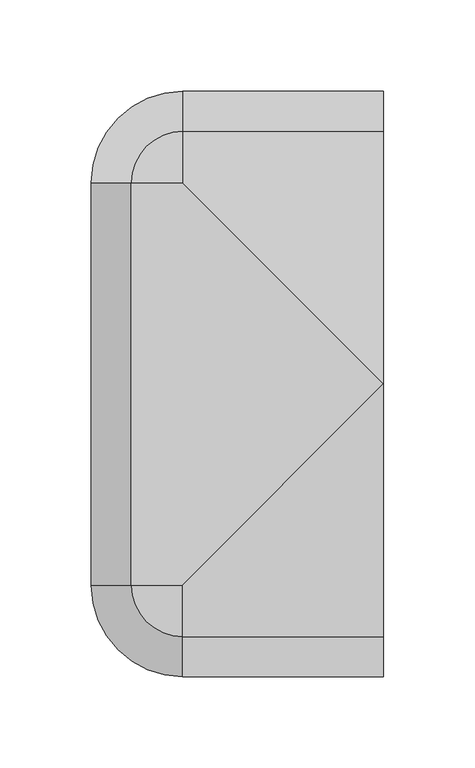
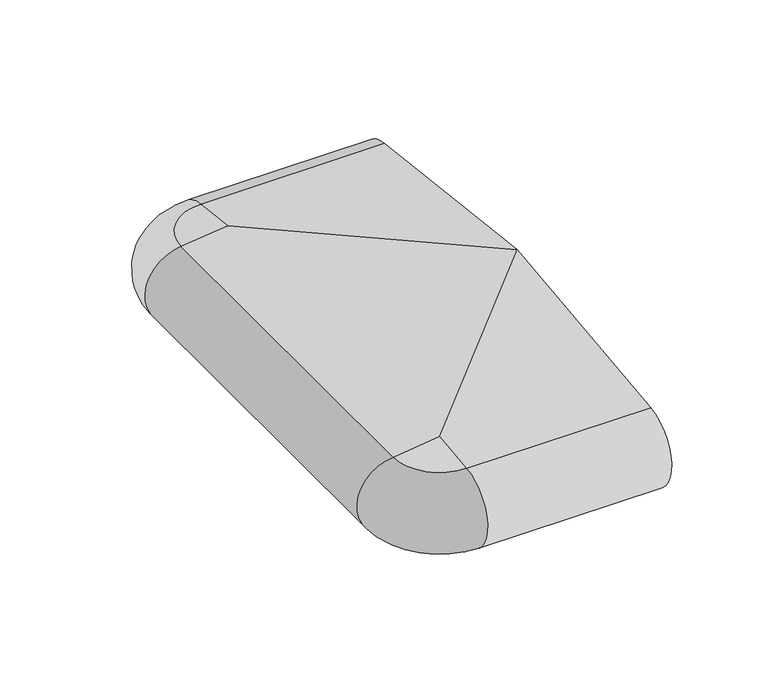
"""IFC4 building model written with IfcOpenShell, lengths in millimetres: proxy geometry."""

import ifcopenshell
import ifcopenshell.guid

model = None  # the IFC model being written
_history = None  # IfcOwnerHistory: only IFC2X3 demands one
_inside = {}  # id of a spatial element -> (the spatial element, [elements in it])
_under = {}  # id of a project, library or spatial element -> (it, [spatial elements below it])
_declared = {}  # id of a project -> (the project, [libraries it declares])
_typed = {}  # id of a type object -> (the type object, [elements of that type])
_made_of = {}  # id of a material, layer set ... -> (it, [elements and type objects made of it])


def new_model(schema):
    """Start an empty IFC model of exactly this schema.

    Asked for "IFC4X3", IfcOpenShell would pick the latest addendum, in which some entities
    have other attributes; the version numbers below select the first issue.
    IFC2X3 requires an IfcOwnerHistory on every rooted entity: one is made here for all.
    """
    global model, _history
    if schema == "IFC4X3":
        model = ifcopenshell.file(schema_version=(4, 3, 0, 0))
    else:
        model = ifcopenshell.file(schema=schema)
    _inside.clear()
    _under.clear()
    _declared.clear()
    _typed.clear()
    _made_of.clear()
    _history = None
    if model.schema == "IFC2X3":
        org = make("IfcOrganization", Name="unknown")
        user = make(
            "IfcPersonAndOrganization",
            ThePerson=make("IfcPerson", FamilyName="unknown"),
            TheOrganization=org,
        )
        app = make(
            "IfcApplication",
            ApplicationDeveloper=org,
            Version="unknown",
            ApplicationFullName="unknown",
            ApplicationIdentifier="unknown",
        )
        _history = make(
            "IfcOwnerHistory",
            OwningUser=user,
            OwningApplication=app,
            ChangeAction="ADDED",
            CreationDate=0,
        )
    return model


def make(cls, **values):
    """One entity of the class cls with the attributes given. An attribute that is None is left unset."""
    return model.create_entity(
        cls, **{name: value for name, value in values.items() if value is not None}
    )


def rooted(cls, **values):
    """An entity with a GlobalId (a new one), such as an element, a storey or a relation."""
    return make(cls, GlobalId=ifcopenshell.guid.new(), OwnerHistory=_history, **values)


def si_unit(unit_type, name, prefix=None):
    """IfcSIUnit, for example si_unit("LENGTHUNIT", "METRE", prefix="MILLI")."""
    return make("IfcSIUnit", UnitType=unit_type, Prefix=prefix, Name=name)


def assignment(units):
    """IfcUnitAssignment: the units of a project."""
    return None if units is None else make("IfcUnitAssignment", Units=units)


def point(xyz):
    """IfcCartesianPoint."""
    return None if xyz is None else make("IfcCartesianPoint", Coordinates=xyz)


def direction(xyz):
    """IfcDirection."""
    return None if xyz is None else make("IfcDirection", DirectionRatios=xyz)


def frame(location, z_axis=None, x_axis=None):
    """IfcAxis2Placement3D, a coordinate frame: its origin and axes. An axis left out is left unset."""
    return make(
        "IfcAxis2Placement3D",
        Location=point(location),
        Axis=direction(z_axis),
        RefDirection=direction(x_axis),
    )


def origin():
    """The frame at (0, 0, 0) with its axes left unset."""
    return frame((0.0, 0.0, 0.0))


def place(relative_to, where):
    """IfcLocalPlacement: puts the frame where relative to a parent placement (None: the world)."""
    return make(
        "IfcLocalPlacement", PlacementRelTo=relative_to, RelativePlacement=where
    )


def context(
    kind, dimensions, precision=None, world=None, true_north=None, identifier=None
):
    """IfcGeometricRepresentationContext, for example the 3D "Model" context."""
    return make(
        "IfcGeometricRepresentationContext",
        ContextIdentifier=identifier,
        ContextType=kind,
        CoordinateSpaceDimension=dimensions,
        Precision=precision,
        WorldCoordinateSystem=world,
        TrueNorth=true_north,
    )


def project(units=None, contexts=None):
    """IfcProject with its units and contexts."""
    return rooted(
        "IfcProject",
        Name="project",
        RepresentationContexts=contexts,
        UnitsInContext=assignment(units),
    )


def spatial(cls, under=None, at=None, **own):
    """A site, building, storey or space (cls), placed at a placement, below another one or the project."""
    s = rooted(cls, ObjectPlacement=at, **own)
    if under is not None:
        _under.setdefault(under.id(), (under, []))[1].append(s)
    return s


def polyline(points):
    """IfcPolyline through the points."""
    return make("IfcPolyline", Points=[point(p) for p in points])


def circle_curve(where, radius):
    """IfcCircle in the frame where."""
    return make("IfcCircle", Position=where, Radius=radius)


def ellipse_curve(where, semi_axis1, semi_axis2):
    """IfcEllipse in the frame where."""
    return make(
        "IfcEllipse", Position=where, SemiAxis1=semi_axis1, SemiAxis2=semi_axis2
    )


def trimmed(basis, trim1, trim2, sense, master):
    """IfcTrimmedCurve: the piece of a basis curve between two trims."""
    return make(
        "IfcTrimmedCurve",
        BasisCurve=basis,
        Trim1=trim1,
        Trim2=trim2,
        SenseAgreement=sense,
        MasterRepresentation=master,
    )


def shape(context_of_items, identifier, shape_type, items):
    """IfcShapeRepresentation: the items that make up one representation, for example the "Body"."""
    return make(
        "IfcShapeRepresentation",
        ContextOfItems=context_of_items,
        RepresentationIdentifier=identifier,
        RepresentationType=shape_type,
        Items=items,
    )


def source(mapping_origin, context_of_items, identifier, shape_type, items):
    """IfcRepresentationMap: a shape defined once, which mapped items show again and again."""
    return make(
        "IfcRepresentationMap",
        MappingOrigin=mapping_origin,
        MappedRepresentation=shape(context_of_items, identifier, shape_type, items),
    )


def transform(
    local_origin,
    x_axis=None,
    y_axis=None,
    z_axis=None,
    scale=None,
    scale2=None,
    scale3=None,
    uniform=True,
):
    """IfcCartesianTransformationOperator3D, or its non-uniform kind. x_axis, y_axis, z_axis: its Axis1, 2, 3."""
    if uniform:
        return make(
            "IfcCartesianTransformationOperator3D",
            Axis1=direction(x_axis),
            Axis2=direction(y_axis),
            LocalOrigin=point(local_origin),
            Scale=scale,
            Axis3=direction(z_axis),
        )
    return make(
        "IfcCartesianTransformationOperator3DnonUniform",
        Axis1=direction(x_axis),
        Axis2=direction(y_axis),
        LocalOrigin=point(local_origin),
        Scale=scale,
        Axis3=direction(z_axis),
        Scale2=scale2,
        Scale3=scale3,
    )


def mapped(mapping_source, mapping_target):
    """IfcMappedItem: shows the shape of a source again, moved by a transform."""
    return make(
        "IfcMappedItem", MappingSource=mapping_source, MappingTarget=mapping_target
    )


def made_of(thing, what):
    """Note that an element or type object is made of a material, layer set ...; save() writes the relation."""
    if what is not None:
        _made_of.setdefault(what.id(), (what, []))[1].append(thing)
    return thing


def element(
    cls,
    number,
    at=None,
    inside=None,
    cuts=None,
    type_object=None,
    material=None,
    context=None,
    identifier="Body",
    shape_type=None,
    held_by="IfcProductDefinitionShape",
    body=None,
    shapes=None,
    **own,
):
    """One element of the class cls, such as IfcWall. Its Tag is "e" and its number.

    at: its placement. inside: the storey or other place that contains it. cuts: it is an
    opening in that element (IfcRelVoidsElement). A single representation is given by context,
    identifier, shape_type and body (its items); several are given by shapes. held_by: the class
    of the entity that holds the representations. save() writes the other relations.
    """
    e = rooted(cls, Tag="e%d" % number, ObjectPlacement=at, **own)
    if body is not None:
        shapes = [shape(context, identifier, shape_type, body)]
    if shapes is not None:
        e.Representation = make(held_by, Representations=shapes)
    if inside is not None:
        _inside.setdefault(inside.id(), (inside, []))[1].append(e)
    if cuts is not None:
        rooted(
            "IfcRelVoidsElement", RelatingBuildingElement=cuts, RelatedOpeningElement=e
        )
    if type_object is not None:
        _typed.setdefault(type_object.id(), (type_object, []))[1].append(e)
    return made_of(e, material)


def aggregate(whole, parts):
    """IfcRelAggregates: a whole, such as a stair, and the parts it consists of."""
    return rooted("IfcRelAggregates", RelatingObject=whole, RelatedObjects=parts)


def save(model, path):
    """Write the relations noted so far, then the file.

    IfcRelAggregates (storeys below a building ...), IfcRelContainedInSpatialStructure (elements
    in a storey), IfcRelDefinesByType, IfcRelAssociatesMaterial and IfcRelDeclares: one each for
    every whole, place, type object, material and project.
    """
    for whole, parts in _under.values():
        aggregate(whole, parts)
    for where, things in _inside.values():
        rooted(
            "IfcRelContainedInSpatialStructure",
            RelatedElements=things,
            RelatingStructure=where,
        )
    for kind, things in _typed.values():
        rooted("IfcRelDefinesByType", RelatedObjects=things, RelatingType=kind)
    for what, things in _made_of.values():
        rooted("IfcRelAssociatesMaterial", RelatedObjects=things, RelatingMaterial=what)
    for by, libraries in _declared.values():
        rooted("IfcRelDeclares", RelatingContext=by, RelatedDefinitions=libraries)
    model.write(path)


def plane_surface(at):
    """IfcPlane: the flat surface through the origin of the frame at, square to its z axis."""
    return make("IfcPlane", Position=at)


def cylinder_surface(at, radius):
    """IfcCylindricalSurface: all points at the distance radius from the z axis of the frame at."""
    return make("IfcCylindricalSurface", Position=at, Radius=radius)


def revolved_surface(curve, axis_point, axis_direction):
    """IfcSurfaceOfRevolution: the curve turned about the line through axis_point along axis_direction."""
    return make(
        "IfcSurfaceOfRevolution",
        SweptCurve=make("IfcArbitraryOpenProfileDef", ProfileType="CURVE", Curve=curve),
        AxisPosition=make("IfcAxis1Placement", Location=point(axis_point), Axis=direction(axis_direction)),
    )


def advanced_brep(points, edges, surfaces, faces):
    """IfcAdvancedBrep: a solid bounded by faces that lie on surfaces and meet in shared edges.

    An edge is (start, end): straight between two places in points (the first is 0);
    or (start, end, curve); or (start, end, curve, False) where it runs against its curve.
    A face is (place in surfaces, loops), or (place, loops, False) where it looks against
    its surface's normal. A loop lists edges by number (the first is 1), with a minus sign
    where the edge is run from its end to its start. The first loop is the outer one.
    """
    corners = [point(p) for p in points]
    vertices = [make("IfcVertexPoint", VertexGeometry=c) for c in corners]
    made = []
    for start, end, *more in edges:
        made.append(
            make(
                "IfcEdgeCurve",
                EdgeStart=vertices[start],
                EdgeEnd=vertices[end],
                EdgeGeometry=more[0] if more else make("IfcPolyline", Points=[corners[start], corners[end]]),
                SameSense=more[1] if len(more) > 1 else True,
            )
        )
    hull = []
    for where, loops, *sense in faces:
        bounds = []
        for j, loop in enumerate(loops):
            ring = [make("IfcOrientedEdge", EdgeElement=made[abs(k) - 1], Orientation=k > 0) for k in loop]
            bounds.append(
                make(
                    "IfcFaceOuterBound" if j == 0 else "IfcFaceBound",
                    Bound=make("IfcEdgeLoop", EdgeList=ring),
                    Orientation=True,
                )
            )
        hull.append(make("IfcAdvancedFace", Bounds=bounds, FaceSurface=surfaces[where], SameSense=sense[0] if sense else True))
    return make("IfcAdvancedBrep", Outer=make("IfcClosedShell", CfsFaces=hull))


def generic_models_1e9ed16e(model_context):
    return source(origin(), model_context, "Body", "AdvancedBrep", [
        advanced_brep(
        [(-110.0, 28.0858073, 50.4091909), (-110.0, 26.5981483, 2.5074549), (-136.5981483, 0.0, 2.5074549), (-138.0858073, 0.0, 50.4091909), (-110.0, 25.7072001, 3.0071443), (-135.7072001, 0.0, 3.0071443), (-110.0, 23.6905989, 6.5), (-133.6905989, 0.0, 6.5), (-110.0, 21.9585481, 7.5), (-131.9585481, 0.0, 7.5), (0.0, 21.9585481, 7.5), (0.0, 5.4848276, 7.5), (-110.0, 5.4848276, 7.5), (-115.4848276, 0.0, 7.5), (-115.4848276, -220.0, 7.5), (-110.0, -225.4848276, 7.5), (0.0, -225.4848276, 7.5), (0.0, -241.9585481, 7.5), (-110.0, -241.9585481, 7.5), (-131.9585481, -220.0, 7.5), (-110.0, 3.7527767, 6.5), (-113.7527767, 0.0, 6.5), (-110.0, 0.0, 0.0), (-110.0, 0.0, 53.7462575), (0.0, 25.7072001, 3.0071443), (0.0, 26.5981483, 2.5074549), (0.0, 23.6905989, 6.5), (0.0, 3.7527767, 6.5), (0.0, 0.0, 0.0), (0.0, 28.0858073, 50.4091909), (0.0, -35.5, 0.0), (0.0, -110.0, 66.8161089), (0.0, -248.0858073, 50.4091909), (0.0, -246.5981483, 2.5074549), (0.0, -245.7072001, 3.0071443), (0.0, -243.6905989, 6.5), (0.0, -223.7527767, 6.5), (0.0, -220.0, 0.0), (0.0, -184.5, 0.0), (0.0, -183.5, 1.0), (0.0, -183.5, 7.0), (0.0, -181.5, 9.0), (0.0, -158.5, 9.0), (0.0, -156.5, 7.0), (0.0, -156.5, 1.0), (0.0, -155.5, 0.0), (0.0, -64.5, 0.0), (0.0, -63.5, 1.0), (0.0, -63.5, 7.0), (0.0, -61.5, 9.0), (0.0, -38.5, 9.0), (0.0, -36.5, 7.0), (0.0, -36.5, 1.0), (0.0, -202.220606, 23.1932995), (0.0, -190.220606, 23.1932995), (0.0, -162.5, 27.912776), (0.0, -150.5, 27.912776), (0.0, -117.9558517, 33.3783502), (0.0, -102.0441483, 33.3783502), (0.0, -69.5, 27.912776), (0.0, -57.5, 27.912776), (0.0, -29.779394, 23.1932995), (0.0, -17.779394, 23.1932995), (-110.0, -36.5, 1.0), (-110.0, -35.5, 0.0), (-110.0, -36.5, 7.0), (-110.0, -38.5, 9.0), (-110.0, -61.5, 9.0), (-110.0, -63.5, 7.0), (-110.0, -63.5, 1.0), (-110.0, -64.5, 0.0), (-110.0, -155.5, 0.0), (-110.0, -156.5, 1.0), (-110.0, -156.5, 7.0), (-110.0, -158.5, 9.0), (-110.0, -181.5, 9.0), (-110.0, -183.5, 7.0), (-110.0, -183.5, 1.0), (-110.0, -184.5, 0.0), (-110.0, -220.0, 0.0), (-110.0, -220.0, 53.7462575), (-110.0, -248.0858073, 50.4091909), (-110.0, -190.220606, 23.1932995), (-110.0, -202.220606, 23.1932995), (-110.0, -150.5, 27.912776), (-110.0, -162.5, 27.912776), (-110.0, -102.0441483, 33.3783502), (-110.0, -117.9558517, 33.3783502), (-110.0, -57.5, 27.912776), (-110.0, -69.5, 27.912776), (-110.0, -17.779394, 23.1932995), (-110.0, -29.779394, 23.1932995), (-138.0858073, -220.0, 50.4091909), (-110.0, -246.5981483, 2.5074549), (-110.0, -245.7072001, 3.0071443), (-110.0, -243.6905989, 6.5), (-110.0, -223.7527767, 6.5), (-135.7072001, -220.0, 3.0071443), (-136.5981483, -220.0, 2.5074549), (-133.6905989, -220.0, 6.5), (-113.7527767, -220.0, 6.5)],
        [
            (0, 1, circle_curve(frame((-110.0, 26.0, 26.5), z_axis=(-1.0, 0.0, 0.0), x_axis=(0.0, 0.08690863944627836, 0.9962162859487877)), 24.0)),
            (1, 2, circle_curve(frame((-110.0, 0.0, 2.5074549), z_axis=(0.0, 0.0, 1.0), x_axis=(-1.0, 0.0, 0.0)), 26.5981483)),
            (2, 3, circle_curve(frame((-136.0, 0.0, 26.5), z_axis=(0.0, 1.0, 0.0), x_axis=(-0.08690863944627836, 0.0, 0.9962162859487877)), 24.0)),
            (3, 0, circle_curve(frame((-110.0, 0.0, 50.4091909), z_axis=(0.0, 0.0, -1.0), x_axis=(-1.0, 0.0, 0.0)), 28.0858073)),
            (1, 4, circle_curve(frame((-110.0, 26.5732255, 3.5071443), z_axis=(-1.0000000000000002, 0.0, 0.0), x_axis=(0.0, 0.024922847684081085, -0.999689377588517)), 1.0)),
            (4, 5, circle_curve(frame((-110.0, 0.0, 3.0071443), z_axis=(0.0, 0.0, 1.0), x_axis=(-1.0, 0.0, 0.0)), 25.7072001)),
            (5, 2, circle_curve(frame((-136.5732255, 0.0, 3.5071443), z_axis=(0.0, 1.0000000000000002, 0.0), x_axis=(-0.024922847684081085, 0.0, -0.999689377588517)), 1.0)),
            (4, 6),
            (6, 7, circle_curve(frame((-110.0, 0.0, 6.5), z_axis=(0.0, 0.0, 1.0), x_axis=(-1.0, 0.0, 0.0)), 23.6905989)),
            (7, 5),
            (6, 8, circle_curve(frame((-110.0, 21.9585481, 5.5), z_axis=(1.0, 0.0, 0.0), x_axis=(0.0, 0.8660254037844379, 0.5000000000000012)), 2.0)),
            (8, 9, circle_curve(frame((-110.0, 0.0, 7.5), z_axis=(0.0, 0.0, 1.0), x_axis=(-1.0, 0.0, 0.0)), 21.9585481)),
            (9, 7, circle_curve(frame((-131.9585481, 0.0, 5.5), z_axis=(0.0, -1.0, 0.0), x_axis=(-0.8660254037844379, 0.0, 0.5000000000000012)), 2.0)),
            (8, 10),
            (10, 11),
            (11, 12),
            (12, 13, circle_curve(frame((-110.0, 0.0, 7.5), z_axis=(0.0, 0.0, 1.0), x_axis=(-1.0, 0.0, 0.0)), 5.4848276)),
            (13, 14),
            (14, 15, circle_curve(frame((-110.0, -220.0, 7.5), z_axis=(0.0, 0.0, 1.0), x_axis=(-1.0, 0.0, 0.0)), 5.4848276)),
            (15, 16),
            (16, 17),
            (17, 18),
            (18, 19, circle_curve(frame((-110.0, -220.0, 7.5), z_axis=(0.0, 0.0, -1.0), x_axis=(-1.0, 0.0, 0.0)), 21.9585481)),
            (19, 9),
            (12, 20, circle_curve(frame((-110.0, 5.4848276, 5.5), z_axis=(1.0, 0.0, 0.0), x_axis=(0.0, 0.0, 1.0)), 2.0)),
            (20, 21, circle_curve(frame((-110.0, 0.0, 6.5), z_axis=(0.0, 0.0, 1.0), x_axis=(-1.0, 0.0, 0.0)), 3.7527767)),
            (21, 13, circle_curve(frame((-115.4848276, 0.0, 5.5), z_axis=(0.0, -1.0, 0.0), x_axis=(0.0, 0.0, 1.0)), 2.0)),
            (20, 22),
            (22, 21),
            (3, 23),
            (23, 0),
            (24, 4),
            (1, 25),
            (25, 24, circle_curve(frame((0.0, 26.5732255, 3.5071443), z_axis=(-1.0, 0.0, 0.0), x_axis=(0.0, 0.024922847684081085, -0.999689377588517)), 1.0)),
            (26, 6),
            (24, 26),
            (26, 10, circle_curve(frame((0.0, 21.9585481, 5.5), z_axis=(1.0, 0.0, 0.0), x_axis=(0.0, 0.8660254037844379, 0.5000000000000012)), 2.0)),
            (27, 20),
            (11, 27, circle_curve(frame((0.0, 5.4848276, 5.5), z_axis=(1.0, 0.0, 0.0), x_axis=(0.0, 0.0, 1.0)), 2.0)),
            (28, 22),
            (27, 28),
            (0, 29),
            (29, 25, circle_curve(frame((0.0, 26.0, 26.5), z_axis=(-1.0, 0.0, 0.0), x_axis=(0.0, 0.08690863944627836, 0.9962162859487877)), 24.0)),
            (30, 28),
            (29, 31),
            (31, 32),
            (32, 33, circle_curve(frame((0.0, -246.0, 26.5), z_axis=(1.0, 0.0, 0.0), x_axis=(0.0, -0.08690863944627836, 0.9962162859487877)), 24.0)),
            (33, 34, circle_curve(frame((0.0, -246.5732255, 3.5071443), z_axis=(1.0, 0.0, 0.0), x_axis=(0.0, -0.024922847684081085, -0.999689377588517)), 1.0)),
            (34, 35),
            (35, 17, circle_curve(frame((0.0, -241.9585481, 5.5), z_axis=(-1.0, 0.0, 0.0), x_axis=(0.0, -0.8660254037844379, 0.5000000000000012)), 2.0)),
            (16, 36, circle_curve(frame((0.0, -225.4848276, 5.5), z_axis=(-1.0, 0.0, 0.0), x_axis=(0.0, 0.0, 1.0)), 2.0)),
            (36, 37),
            (37, 38),
            (38, 39, circle_curve(frame((0.0, -184.5, 1.0), z_axis=(1.0, 0.0, 0.0), x_axis=(0.0, 0.0, -1.0)), 1.0)),
            (39, 40),
            (40, 41, circle_curve(frame((0.0, -181.5, 7.0), z_axis=(-1.0, 0.0, 0.0), x_axis=(0.0, -1.0, 0.0)), 2.0)),
            (41, 42),
            (42, 43, circle_curve(frame((0.0, -158.5, 7.0), z_axis=(-1.0, 0.0, 0.0), x_axis=(0.0, 0.0, 1.0)), 2.0)),
            (43, 44),
            (44, 45, circle_curve(frame((0.0, -155.5, 1.0), z_axis=(1.0, 0.0, 0.0), x_axis=(0.0, -1.0, 0.0)), 1.0)),
            (45, 46),
            (46, 47, circle_curve(frame((0.0, -64.5, 1.0), z_axis=(1.0, 0.0, 0.0), x_axis=(0.0, 1.0, 0.0)), 1.0)),
            (47, 48),
            (48, 49, circle_curve(frame((0.0, -61.5, 7.0), z_axis=(-1.0, 0.0, 0.0), x_axis=(0.0, 0.0, 1.0)), 2.0)),
            (49, 50),
            (50, 51, circle_curve(frame((0.0, -38.5, 7.0), z_axis=(-1.0, 0.0, 0.0), x_axis=(0.0, 1.0, 0.0)), 2.0)),
            (51, 52),
            (52, 30, circle_curve(frame((0.0, -35.5, 1.0), z_axis=(1.0, 0.0, 0.0), x_axis=(0.0, 0.0, -1.0)), 1.0)),
            (53, 54, circle_curve(frame((0.0, -196.220606, 23.1932995), z_axis=(-1.0, 0.0, 0.0), x_axis=(0.0, 1.0, 0.0)), 6.0)),
            (54, 53, circle_curve(frame((0.0, -196.220606, 23.1932995), z_axis=(-1.0, 0.0, 0.0), x_axis=(0.0, 1.0, 0.0)), 6.0)),
            (55, 56, circle_curve(frame((0.0, -156.5, 27.912776), z_axis=(-1.0, 0.0, 0.0), x_axis=(0.0, 1.0, 0.0)), 6.0)),
            (56, 55, circle_curve(frame((0.0, -156.5, 27.912776), z_axis=(-1.0, 0.0, 0.0), x_axis=(0.0, 1.0, 0.0)), 6.0)),
            (57, 58, circle_curve(frame((0.0, -110.0, 33.3783502), z_axis=(-1.0, 0.0, 0.0), x_axis=(0.0, 1.0, 0.0)), 7.9558517)),
            (58, 57, circle_curve(frame((0.0, -110.0, 33.3783502), z_axis=(-1.0, 0.0, 0.0), x_axis=(0.0, 1.0, 0.0)), 7.9558517)),
            (59, 60, circle_curve(frame((0.0, -63.5, 27.912776), z_axis=(-1.0, 0.0, 0.0), x_axis=(0.0, 1.0, 0.0)), 6.0)),
            (60, 59, circle_curve(frame((0.0, -63.5, 27.912776), z_axis=(-1.0, 0.0, 0.0), x_axis=(0.0, 1.0, 0.0)), 6.0)),
            (61, 62, circle_curve(frame((0.0, -23.779394, 23.1932995), z_axis=(-1.0, 0.0, 0.0), x_axis=(0.0, 1.0, 0.0)), 6.0)),
            (62, 61, circle_curve(frame((0.0, -23.779394, 23.1932995), z_axis=(-1.0, 0.0, 0.0), x_axis=(0.0, 1.0, 0.0)), 6.0)),
            (52, 63),
            (63, 64, circle_curve(frame((-110.0, -35.5, 1.0), z_axis=(1.0, 0.0, 0.0), x_axis=(0.0, 0.0, -1.0)), 1.0)),
            (64, 30),
            (51, 65),
            (65, 63),
            (50, 66),
            (66, 65, circle_curve(frame((-110.0, -38.5, 7.0), z_axis=(-1.0, 0.0, 0.0), x_axis=(0.0, 1.0, 0.0)), 2.0)),
            (49, 67),
            (67, 66),
            (48, 68),
            (68, 67, circle_curve(frame((-110.0, -61.5, 7.0), z_axis=(-1.0, 0.0, 0.0), x_axis=(0.0, 0.0, 1.0)), 2.0)),
            (47, 69),
            (69, 68),
            (46, 70),
            (70, 69, circle_curve(frame((-110.0, -64.5, 1.0), z_axis=(1.0, 0.0, 0.0), x_axis=(0.0, 1.0, 0.0)), 1.0)),
            (45, 71),
            (71, 70),
            (44, 72),
            (72, 71, circle_curve(frame((-110.0, -155.5, 1.0), z_axis=(1.0, 0.0, 0.0), x_axis=(0.0, -1.0, 0.0)), 1.0)),
            (43, 73),
            (73, 72),
            (42, 74),
            (74, 73, circle_curve(frame((-110.0, -158.5, 7.0), z_axis=(-1.0, 0.0, 0.0), x_axis=(0.0, 0.0, 1.0)), 2.0)),
            (41, 75),
            (75, 74),
            (40, 76),
            (76, 75, circle_curve(frame((-110.0, -181.5, 7.0), z_axis=(-1.0, 0.0, 0.0), x_axis=(0.0, -1.0, 0.0)), 2.0)),
            (39, 77),
            (77, 76),
            (38, 78),
            (78, 77, circle_curve(frame((-110.0, -184.5, 1.0), z_axis=(1.0, 0.0, 0.0), x_axis=(0.0, 0.0, -1.0)), 1.0)),
            (37, 79),
            (79, 78),
            (80, 81),
            (81, 32),
            (31, 80),
            (23, 31),
            (64, 22),
            (54, 82),
            (82, 83, circle_curve(frame((-110.0, -196.220606, 23.1932995), z_axis=(-1.0, 0.0, 0.0), x_axis=(0.0, 1.0, 0.0)), 6.0)),
            (83, 53),
            (83, 82, circle_curve(frame((-110.0, -196.220606, 23.1932995), z_axis=(-1.0, 0.0, 0.0), x_axis=(0.0, 1.0, 0.0)), 6.0)),
            (56, 84),
            (84, 85, circle_curve(frame((-110.0, -156.5, 27.912776), z_axis=(-1.0, 0.0, 0.0), x_axis=(0.0, 1.0, 0.0)), 6.0)),
            (85, 55),
            (85, 84, circle_curve(frame((-110.0, -156.5, 27.912776), z_axis=(-1.0, 0.0, 0.0), x_axis=(0.0, 1.0, 0.0)), 6.0)),
            (58, 86),
            (86, 87, circle_curve(frame((-110.0, -110.0, 33.3783502), z_axis=(-1.0, 0.0, 0.0), x_axis=(0.0, 1.0, 0.0)), 7.9558517)),
            (87, 57),
            (87, 86, circle_curve(frame((-110.0, -110.0, 33.3783502), z_axis=(-1.0, 0.0, 0.0), x_axis=(0.0, 1.0, 0.0)), 7.9558517)),
            (60, 88),
            (88, 89, circle_curve(frame((-110.0, -63.5, 27.912776), z_axis=(-1.0, 0.0, 0.0), x_axis=(0.0, 1.0, 0.0)), 6.0)),
            (89, 59),
            (89, 88, circle_curve(frame((-110.0, -63.5, 27.912776), z_axis=(-1.0, 0.0, 0.0), x_axis=(0.0, 1.0, 0.0)), 6.0)),
            (62, 90),
            (90, 91, circle_curve(frame((-110.0, -23.779394, 23.1932995), z_axis=(-1.0, 0.0, 0.0), x_axis=(0.0, 1.0, 0.0)), 6.0)),
            (91, 61),
            (91, 90, circle_curve(frame((-110.0, -23.779394, 23.1932995), z_axis=(-1.0, 0.0, 0.0), x_axis=(0.0, 1.0, 0.0)), 6.0)),
            (3, 92),
            (92, 80),
            (33, 93),
            (93, 94, circle_curve(frame((-110.0, -246.5732255, 3.5071443), z_axis=(1.0, 0.0, 0.0), x_axis=(0.0, -0.024922847684081085, -0.999689377588517)), 1.0)),
            (94, 34),
            (94, 95),
            (95, 35),
            (95, 18, circle_curve(frame((-110.0, -241.9585481, 5.5), z_axis=(-1.0, 0.0, 0.0), x_axis=(0.0, -0.8660254037844379, 0.5000000000000012)), 2.0)),
            (15, 96, circle_curve(frame((-110.0, -225.4848276, 5.5), z_axis=(-1.0, 0.0, 0.0), x_axis=(0.0, 0.0, 1.0)), 2.0)),
            (96, 36),
            (96, 79),
            (81, 93, circle_curve(frame((-110.0, -246.0, 26.5), z_axis=(1.0, 0.0, 0.0), x_axis=(0.0, -0.08690863944627836, 0.9962162859487877)), 24.0)),
            (5, 97),
            (97, 98, circle_curve(frame((-136.5732255, -220.0, 3.5071443), z_axis=(0.0, 1.0, 0.0), x_axis=(-0.024922847684081085, 0.0, -0.999689377588517)), 1.0)),
            (98, 2),
            (7, 99),
            (99, 97),
            (19, 99, circle_curve(frame((-131.9585481, -220.0, 5.5), z_axis=(0.0, -1.0, 0.0), x_axis=(-0.8660254037844379, 0.0, 0.5000000000000012)), 2.0)),
            (21, 100),
            (100, 14, circle_curve(frame((-115.4848276, -220.0, 5.5), z_axis=(0.0, -1.0, 0.0), x_axis=(0.0, 0.0, 1.0)), 2.0)),
            (64, 70),
            (71, 78),
            (79, 100),
            (98, 92, circle_curve(frame((-136.0, -220.0, 26.5), z_axis=(0.0, 1.0, 0.0), x_axis=(-0.08690863944627836, 0.0, 0.9962162859487877)), 24.0)),
            (96, 100, circle_curve(frame((-110.0, -220.0, 6.5), z_axis=(0.0, 0.0, -1.0), x_axis=(-1.0, 0.0, 0.0)), 3.7527767)),
            (95, 99, circle_curve(frame((-110.0, -220.0, 6.5), z_axis=(0.0, 0.0, -1.0), x_axis=(-1.0, 0.0, 0.0)), 23.6905989)),
            (94, 97, circle_curve(frame((-110.0, -220.0, 3.0071443), z_axis=(0.0, 0.0, -1.0), x_axis=(-1.0, 0.0, 0.0)), 25.7072001)),
            (93, 98, circle_curve(frame((-110.0, -220.0, 2.5074549), z_axis=(0.0, 0.0, -1.0), x_axis=(-1.0, 0.0, 0.0)), 26.5981483)),
            (81, 92, circle_curve(frame((-110.0, -220.0, 50.4091909), z_axis=(0.0, 0.0, -1.0), x_axis=(-1.0, 0.0, 0.0)), 28.0858073)),
        ],
        [
            revolved_surface(trimmed(ellipse_curve(frame((-136.0, 0.0, 26.5), z_axis=(0.0, -1.0, 0.0), x_axis=(-0.08690863944627836, 0.0, 0.9962162859487877)), 24.0, 24.0), [point((-138.0858073, 0.0, 50.4091909))], [point((-136.5981483, 0.0, 2.5074549))], True, "CARTESIAN"), (-110.0, 0.0, 53.7462575), (0.0, 0.0, -1.0)),
            revolved_surface(trimmed(ellipse_curve(frame((-136.5732255, 0.0, 3.5071443), z_axis=(0.0, -1.0000000000000002, 0.0), x_axis=(-0.024922847684081085, 0.0, -0.999689377588517)), 1.0, 1.0), [point((-136.5981483, 0.0, 2.5074549))], [point((-135.7072001, 0.0, 3.0071443))], True, "CARTESIAN"), (-110.0, 0.0, 53.7462575), (0.0, 0.0, -1.0)),
            revolved_surface(polyline([(-135.7072001, 0.0, 3.0071443), (-133.6905989, 0.0, 6.5)]), (-110.0, 0.0, 53.7462575), (0.0, 0.0, -1.0)),
            revolved_surface(trimmed(ellipse_curve(frame((-131.9585481, 0.0, 5.5), z_axis=(0.0, 1.0, 0.0), x_axis=(-0.8660254037844379, 0.0, 0.5000000000000012)), 2.0, 2.0), [point((-133.6905989, 0.0, 6.5))], [point((-131.9585481, 0.0, 7.5))], True, "CARTESIAN"), (-110.0, 0.0, 53.7462575), (0.0, 0.0, -1.0)),
            plane_surface(frame((-110.0, 0.0, 7.5), z_axis=(0.0, 0.0, -1.0), x_axis=(-1.0, 0.0, 0.0))),
            revolved_surface(trimmed(ellipse_curve(frame((-115.4848276, 0.0, 5.5), z_axis=(0.0, 1.0, 0.0), x_axis=(0.0, 0.0, 1.0)), 2.0, 2.0), [point((-115.4848276, 0.0, 7.5))], [point((-113.7527767, 0.0, 6.5))], True, "CARTESIAN"), (-110.0, 0.0, 53.7462575), (0.0, 0.0, -1.0)),
            revolved_surface(polyline([(-113.7527767, 0.0, 6.5), (-110.0, 0.0, 0.0)]), (-110.0, 0.0, 53.7462575), (0.0, 0.0, -1.0)),
            revolved_surface(polyline([(-110.0, 0.0, 53.7462575), (-138.0858073, 0.0, 50.4091909)]), (-110.0, 0.0, 53.7462575), (0.0, 0.0, -1.0)),
            cylinder_surface(frame((0.0, 26.5732255, 3.5071443), z_axis=(1.0000000000000002, 0.0, 0.0), x_axis=(0.0, 0.024922847684081085, -0.999689377588517)), 1.0),
            plane_surface(frame((0.0, 25.7072001, 3.0071443), z_axis=(0.0, -0.8660254037844368, -0.5000000000000032), x_axis=(-1.0, 0.0, 0.0))),
            revolved_surface(polyline([(-110.0, 23.690598907568877, 6.500000000000003), (0.0, 23.690598907568877, 6.500000000000003)]), (0.0, 21.9585481, 5.5), (-1.0, 0.0, 0.0)),
            revolved_surface(polyline([(-110.0, 5.4848276, 7.5), (0.0, 5.4848276, 7.5)]), (0.0, 5.4848276, 5.5), (-1.0, 0.0, 0.0)),
            plane_surface(frame((0.0, 3.7527767, 6.5), z_axis=(0.0, 0.8660254037844349, -0.5000000000000064), x_axis=(-1.0, 0.0, 0.0))),
            cylinder_surface(frame((0.0, 26.0, 26.5), z_axis=(1.0, 0.0, 0.0), x_axis=(0.0, 0.08690863944627836, 0.9962162859487877)), 24.0),
            plane_surface(frame((0.0, 0.0, 0.0), z_axis=(1.0, 0.0, 0.0), x_axis=(0.0, 0.0, 1.0))),
            cylinder_surface(frame((0.0, -35.5, 1.0), z_axis=(1.0, 0.0, 0.0), x_axis=(0.0, 0.0, -1.0)), 1.0),
            plane_surface(frame((0.0, -36.5, 1.0), z_axis=(0.0, -1.0, 0.0), x_axis=(-1.0, 0.0, 0.0))),
            revolved_surface(polyline([(-110.0, -36.5, 7.0), (0.0, -36.5, 7.0)]), (0.0, -38.5, 7.0), (-1.0, 0.0, 0.0)),
            plane_surface(frame((0.0, -38.5, 9.0), z_axis=(0.0, 0.0, -1.0), x_axis=(-1.0, 0.0, 0.0))),
            revolved_surface(polyline([(-110.0, -61.5, 9.0), (0.0, -61.5, 9.0)]), (0.0, -61.5, 7.0), (-1.0, 0.0, 0.0)),
            plane_surface(frame((0.0, -63.5, 7.0), z_axis=(0.0, 1.0, 0.0), x_axis=(-1.0, 0.0, 0.0))),
            cylinder_surface(frame((0.0, -64.5, 1.0), z_axis=(1.0, 0.0, 0.0), x_axis=(0.0, 1.0, 0.0)), 1.0),
            plane_surface(frame((0.0, -64.5, 0.0), z_axis=(0.0, 0.0, -1.0), x_axis=(-1.0, 0.0, 0.0))),
            cylinder_surface(frame((0.0, -155.5, 1.0), z_axis=(1.0, 0.0, 0.0), x_axis=(0.0, -1.0, 0.0)), 1.0),
            plane_surface(frame((0.0, -156.5, 1.0), z_axis=(0.0, -1.0, 0.0), x_axis=(-1.0, 0.0, 0.0))),
            revolved_surface(polyline([(-110.0, -158.5, 9.0), (0.0, -158.5, 9.0)]), (0.0, -158.5, 7.0), (-1.0, 0.0, 0.0)),
            plane_surface(frame((0.0, -158.5, 9.0), z_axis=(0.0, 0.0, -1.0), x_axis=(-1.0, 0.0, 0.0))),
            revolved_surface(polyline([(-110.0, -183.5, 7.0), (0.0, -183.5, 7.0)]), (0.0, -181.5, 7.0), (-1.0, 0.0, 0.0)),
            plane_surface(frame((0.0, -183.5, 7.0), z_axis=(0.0, 1.0, 0.0), x_axis=(-1.0, 0.0, 0.0))),
            cylinder_surface(frame((0.0, -184.5, 1.0), z_axis=(1.0, 0.0, 0.0), x_axis=(0.0, 0.0, -1.0)), 1.0),
            plane_surface(frame((0.0, -184.5, 0.0), z_axis=(0.0, 0.0, -1.0), x_axis=(-1.0, 0.0, 0.0))),
            plane_surface(frame((0.0, -220.0, 53.7462575), z_axis=(0.0, -0.11798691299107526, 0.9930151501174777), x_axis=(-1.0, 0.0, 0.0))),
            plane_surface(frame((0.0, -110.0, 66.8161089), z_axis=(0.0, 0.11798691299107526, 0.9930151501174777), x_axis=(-1.0, 0.0, 0.0))),
            plane_surface(frame((0.0, 0.0, 0.0), z_axis=(0.0, 0.0, -1.0), x_axis=(-1.0, 0.0, 0.0))),
            revolved_surface(polyline([(-110.0, -190.220606, 23.1932995), (0.0, -190.220606, 23.1932995)]), (0.0, -196.220606, 23.1932995), (-1.0, 0.0, 0.0)),
            revolved_surface(polyline([(-110.0, -150.5, 27.912776), (0.0, -150.5, 27.912776)]), (0.0, -156.5, 27.912776), (-1.0, 0.0, 0.0)),
            revolved_surface(polyline([(-110.0, -102.0441483, 33.3783502), (0.0, -102.0441483, 33.3783502)]), (0.0, -110.0, 33.3783502), (-1.0, 0.0, 0.0)),
            revolved_surface(polyline([(-110.0, -57.5, 27.912776), (0.0, -57.5, 27.912776)]), (0.0, -63.5, 27.912776), (-1.0, 0.0, 0.0)),
            revolved_surface(polyline([(-110.0, -17.779394, 23.1932995), (0.0, -17.779394, 23.1932995)]), (0.0, -23.779394, 23.1932995), (-1.0, 0.0, 0.0)),
            plane_surface(frame((0.0, -250.0, 66.8161089), z_axis=(-0.11798691299108029, 0.0, 0.993015150117477), x_axis=(0.0, 1.0, 0.0))),
            cylinder_surface(frame((0.0, -246.5732255, 3.5071443), z_axis=(1.0000000000000002, 0.0, 0.0), x_axis=(0.0, -0.024922847684081085, -0.999689377588517)), 1.0),
            plane_surface(frame((0.0, -243.6905989, 6.5), z_axis=(0.0, 0.8660254037844368, -0.5000000000000032), x_axis=(-1.0, 0.0, 0.0))),
            revolved_surface(polyline([(-110.0, -243.69059890756887, 6.500000000000003), (0.0, -243.69059890756887, 6.500000000000003)]), (0.0, -241.9585481, 5.5), (-1.0, 0.0, 0.0)),
            revolved_surface(polyline([(-110.0, -225.4848276, 7.5), (0.0, -225.4848276, 7.5)]), (0.0, -225.4848276, 5.5), (-1.0, 0.0, 0.0)),
            plane_surface(frame((0.0, -220.0, 0.0), z_axis=(0.0, -0.8660254037844349, -0.5000000000000064), x_axis=(-1.0, 0.0, 0.0))),
            cylinder_surface(frame((0.0, -246.0, 26.5), z_axis=(1.0, 0.0, 0.0), x_axis=(0.0, -0.08690863944627836, 0.9962162859487877)), 24.0),
            cylinder_surface(frame((-136.5732255, 0.0, 3.5071443), z_axis=(0.0, 1.0000000000000002, 0.0), x_axis=(-0.024922847684081085, 0.0, -0.999689377588517)), 1.0),
            plane_surface(frame((-135.7072001, 0.0, 3.0071443), z_axis=(0.8660254037844368, 0.0, -0.5000000000000032), x_axis=(0.0, -1.0, 0.0))),
            revolved_surface(polyline([(-133.69059890756887, -220.0, 6.500000000000003), (-133.69059890756887, 0.0, 6.500000000000003)]), (-131.9585481, 0.0, 5.5), (0.0, -1.0, 0.0)),
            revolved_surface(polyline([(-115.4848276, -220.0, 7.5), (-115.4848276, 0.0, 7.5)]), (-115.4848276, 0.0, 5.5), (0.0, -1.0, 0.0)),
            plane_surface(frame((-113.7527767, 0.0, 6.5), z_axis=(-0.8660254037844349, 0.0, -0.5000000000000064), x_axis=(0.0, -1.0, 0.0))),
            plane_surface(frame((-110.0, 0.0, 0.0), z_axis=(1.0, 0.0, 0.0), x_axis=(0.0, -1.0, 0.0))),
            cylinder_surface(frame((-136.0, 0.0, 26.5), z_axis=(0.0, 1.0, 0.0), x_axis=(-0.08690863944627836, 0.0, 0.9962162859487877)), 24.0),
            revolved_surface(polyline([(-110.0, -220.0, 0.0), (-113.7527767, -220.0, 6.5)]), (-110.0, -220.0, 12.5), (0.0, 0.0, 1.0)),
            revolved_surface(trimmed(ellipse_curve(frame((-115.4848276, -220.0, 5.5), z_axis=(0.0, -1.0, 0.0), x_axis=(0.0, 0.0, 1.0)), 2.0, 2.0), [point((-113.7527767, -220.0, 6.5))], [point((-115.4848276, -220.0, 7.5))], True, "CARTESIAN"), (-110.0, -220.0, 12.5), (0.0, 0.0, 1.0)),
            revolved_surface(trimmed(ellipse_curve(frame((-131.9585481, -220.0, 5.5), z_axis=(0.0, -1.0, 0.0), x_axis=(-0.8660254037844379, 0.0, 0.5000000000000012)), 2.0, 2.0), [point((-131.9585481, -220.0, 7.5))], [point((-133.6905989, -220.0, 6.5))], True, "CARTESIAN"), (-110.0, -220.0, 12.5), (0.0, 0.0, 1.0)),
            revolved_surface(polyline([(-133.6905989, -220.0, 6.5), (-135.7072001, -220.0, 3.0071443)]), (-110.0, -220.0, 12.5), (0.0, 0.0, 1.0)),
            revolved_surface(trimmed(ellipse_curve(frame((-136.5732255, -220.0, 3.5071443), z_axis=(0.0, 1.0000000000000002, 0.0), x_axis=(-0.024922847684081085, 0.0, -0.999689377588517)), 1.0, 1.0), [point((-135.7072001, -220.0, 3.0071443))], [point((-136.5981483, -220.0, 2.5074549))], True, "CARTESIAN"), (-110.0, -220.0, 12.5), (0.0, 0.0, 1.0)),
            revolved_surface(trimmed(ellipse_curve(frame((-136.0, -220.0, 26.5), z_axis=(0.0, 1.0, 0.0), x_axis=(-0.08690863944627836, 0.0, 0.9962162859487877)), 24.0, 24.0), [point((-136.5981483, -220.0, 2.5074549))], [point((-138.0858073, -220.0, 50.4091909))], True, "CARTESIAN"), (-110.0, -220.0, 12.5), (0.0, 0.0, 1.0)),
            revolved_surface(polyline([(-138.0858073, -220.0, 50.4091909), (-110.0, -220.0, 53.7462575)]), (-110.0, -220.0, 12.5), (0.0, 0.0, 1.0)),
        ],
        [
            (0, [[1, 2, 3, 4]]),
            (1, [[5, 6, 7, -2]]),
            (2, [[8, 9, 10, -6]]),
            (3, [[11, 12, 13, -9]]),
            (4, [[14, 15, 16, 17, 18, 19, 20, 21, 22, 23, 24, -12]]),
            (5, [[25, 26, 27, -17]]),
            (6, [[28, 29, -26]]),
            (7, [[30, 31, -4]]),
            (8, [[32, -5, 33, 34]]),
            (9, [[35, -8, -32, 36]]),
            (10, [[-14, -11, -35, 37]]),
            (11, [[38, -25, -16, 39]]),
            (12, [[40, -28, -38, 41]]),
            (13, [[-33, -1, 42, 43]]),
            (14, [[44, -41, -39, -15, -37, -36, -34, -43, 45, 46, 47, 48, 49, 50, -21, 51, 52, 53, 54, 55, 56, 57, 58, 59, 60, 61, 62, 63, 64, 65, 66, 67, 68], [69, 70], [71, 72], [73, 74], [75, 76], [77, 78]]),
            (15, [[79, 80, 81, -68]]),
            (16, [[82, 83, -79, -67]]),
            (17, [[84, 85, -82, -66]]),
            (18, [[86, 87, -84, -65]]),
            (19, [[88, 89, -86, -64]]),
            (20, [[90, 91, -88, -63]]),
            (21, [[92, 93, -90, -62]]),
            (22, [[94, 95, -92, -61]]),
            (23, [[96, 97, -94, -60]]),
            (24, [[98, 99, -96, -59]]),
            (25, [[100, 101, -98, -58]]),
            (26, [[102, 103, -100, -57]]),
            (27, [[104, 105, -102, -56]]),
            (28, [[106, 107, -104, -55]]),
            (29, [[108, 109, -106, -54]]),
            (30, [[110, 111, -108, -53]]),
            (31, [[112, 113, -46, 114]]),
            (32, [[-45, -42, -31, 115]]),
            (33, [[-81, 116, -40, -44]]),
            (34, [[117, 118, 119, -70]]),
            (34, [[-119, 120, -117, -69]]),
            (35, [[121, 122, 123, -72]]),
            (35, [[-123, 124, -121, -71]]),
            (36, [[125, 126, 127, -74]]),
            (36, [[-127, 128, -125, -73]]),
            (37, [[129, 130, 131, -76]]),
            (37, [[-131, 132, -129, -75]]),
            (38, [[133, 134, 135, -78]]),
            (38, [[-135, 136, -133, -77]]),
            (39, [[-115, -30, 137, 138, -114]]),
            (40, [[139, 140, 141, -48]]),
            (41, [[-141, 142, 143, -49]]),
            (42, [[-143, 144, -22, -50]]),
            (43, [[-20, 145, 146, -51]]),
            (44, [[-146, 147, -110, -52]]),
            (45, [[-113, 148, -139, -47]]),
            (46, [[-7, 149, 150, 151]]),
            (47, [[-10, 152, 153, -149]]),
            (48, [[-13, -24, 154, -152]]),
            (49, [[-27, 155, 156, -18]]),
            (50, [[-29, -116, 157, -95, 158, -111, 159, -155]]),
            (51, [[-80, -83, -85, -87, -89, -91, -93, -157]]),
            (51, [[-97, -99, -101, -103, -105, -107, -109, -158]]),
            (51, [[-120, -118]]),
            (51, [[-124, -122]]),
            (51, [[-128, -126]]),
            (51, [[-132, -130]]),
            (51, [[-136, -134]]),
            (52, [[160, -137, -3, -151]]),
            (53, [[-159, -147, 161]]),
            (54, [[-145, -19, -156, -161]]),
            (55, [[-144, 162, -154, -23]]),
            (56, [[-142, 163, -153, -162]]),
            (57, [[-140, 164, -150, -163]]),
            (58, [[-148, 165, -160, -164]]),
            (59, [[-112, -138, -165]]),
        ],
    ),
    ])


if __name__ == "__main__":
    model = new_model("IFC4")
    model_context = context("Model", 3, world=origin())
    ifc_project = project(units=[si_unit("LENGTHUNIT", "METRE", prefix="MILLI")], contexts=[model_context])
    site = spatial("IfcSite", under=ifc_project)
    building = spatial("IfcBuilding", under=site)
    placement = place(None, origin())
    generic_models_shape = generic_models_1e9ed16e(model_context)
    element("IfcBuildingElementProxy", 1, Name="Generic Models", at=placement, inside=building, context=model_context, shape_type="MappedRepresentation", body=[
        mapped(generic_models_shape, transform((0.0, 0.0, 0.0), x_axis=(1.0, 0.0, 0.0), y_axis=(0.0, 1.0, 0.0), z_axis=(0.0, 0.0, 1.0))),
    ])
    save(model, "model.ifc")
